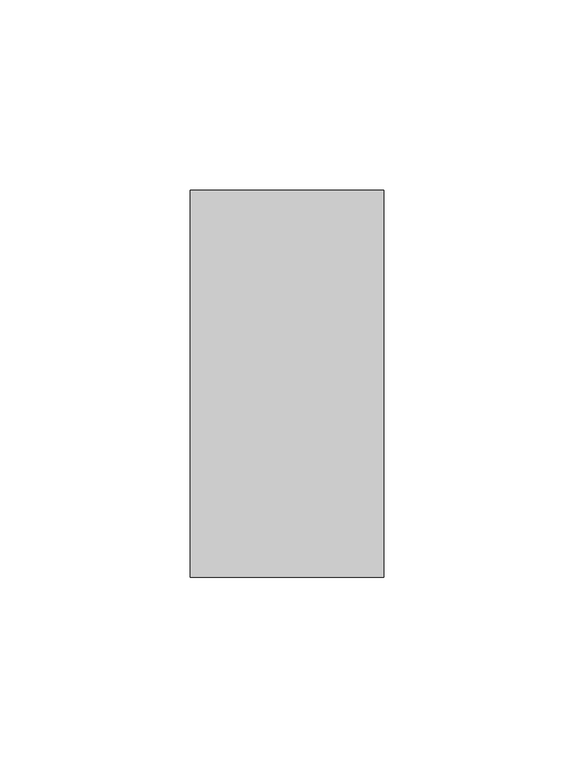
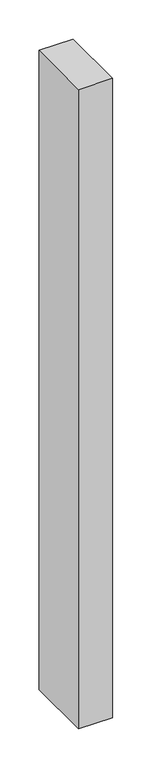
"""IFC4 building model written with IfcOpenShell, lengths in millimetres: proxy geometry."""

from ifc_helpers import new_model, si_unit, origin, origin_with_axes, place, context, project, spatial, polyline, outline, extrude, source, transform, mapped, element, save


def generic_models_973cc613(model_context):
    return source(origin(), model_context, "Body", "SweptSolid", [
        extrude(outline(polyline([(50.8, 0.0), (0.0, 0.0), (0.0, 101.6), (50.8, 101.6), (50.8, 0.0)])), origin_with_axes(), (0.0, 0.0, 1.0), 1000.0),
    ])


if __name__ == "__main__":
    model = new_model("IFC4")
    model_context = context("Model", 3, world=origin())
    ifc_project = project(units=[si_unit("LENGTHUNIT", "METRE", prefix="MILLI")], contexts=[model_context])
    site = spatial("IfcSite", under=ifc_project)
    building = spatial("IfcBuilding", under=site)
    placement = place(None, origin())
    generic_models_shape = generic_models_973cc613(model_context)
    element("IfcBuildingElementProxy", 1, Name="Generic Models", at=placement, inside=building, context=model_context, shape_type="MappedRepresentation", body=[
        mapped(generic_models_shape, transform((0.0, 0.0, 0.0), x_axis=(1.0, 0.0, 0.0), y_axis=(0.0, 1.0, 0.0), z_axis=(0.0, 0.0, 1.0))),
    ])
    save(model, "model.ifc")
